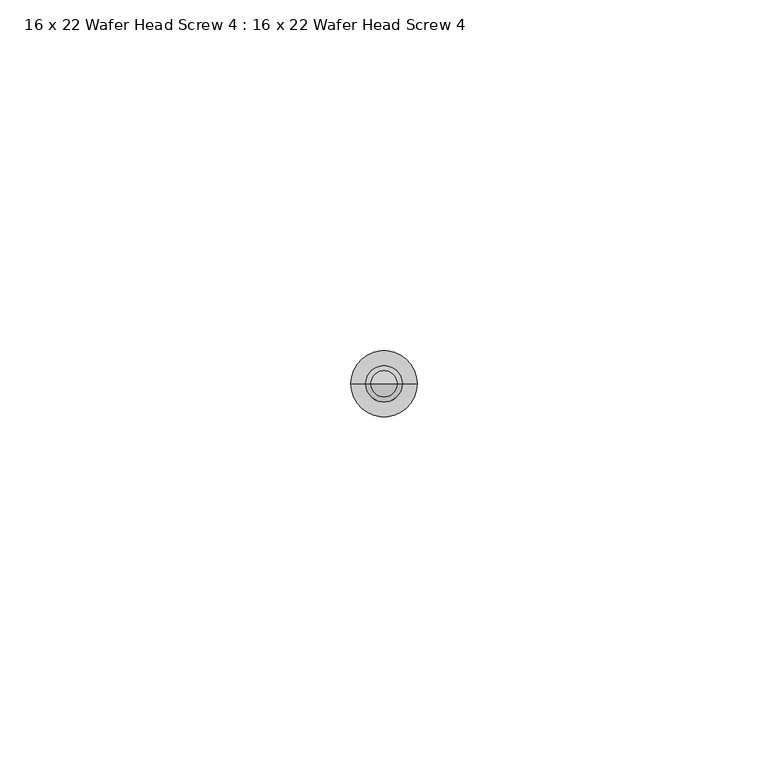
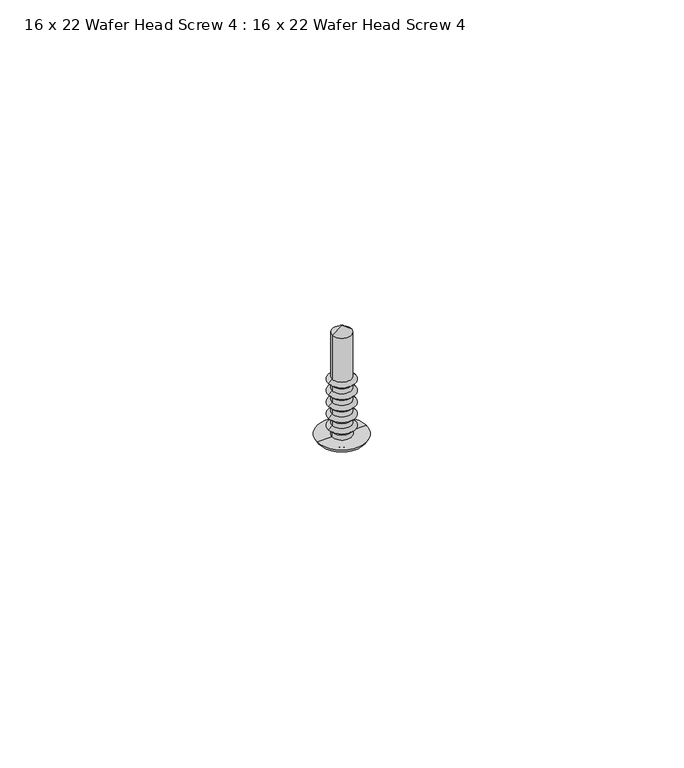
"""IFC4 building model written with IfcOpenShell, lengths in millimetres: proxy geometry, 16 x 22 Wafer Head Screw 4 : 16 x 22 Wafer Head Screw 4."""

from ifc_helpers import new_model, si_unit, point, frame, origin, origin_with_axes, place, context, project, spatial, polyline, circle_curve, ellipse_curve, trimmed, source, transform, mapped, element, save
from ifc_brep_helpers import plane_surface, cylinder_surface, revolved_surface, advanced_brep


def proxy_16_x_22_wafer_head_screw_4_16_x_22_wafer_head_screw_4_842abc65(model_context):
    return source(origin(), model_context, "Body", "AdvancedBrep", [
        advanced_brep(
        [(-1.8554352, 0.0, 11.6700547), (-1.8554352, 0.0, 20.4471271), (1.8554352, 0.0, 20.4471271), (1.8554352, 0.0, 11.6700547), (-2.5766059, 0.0, 11.0431506), (2.5766059, 0.0, 11.0431506), (-1.8554352, 0.0, 10.3219798), (1.8554352, 0.0, 10.3219798), (-1.8554352, 0.0, 9.3360438), (1.8554352, 0.0, 9.3360438), (-2.5766059, 0.0, 8.7091396), (2.5766059, 0.0, 8.7091396), (-1.8554352, 0.0, 7.9879689), (1.8554352, 0.0, 7.9879689), (-1.8554352, 0.0, 7.0020328), (1.8554352, 0.0, 7.0020328), (-2.5766059, 0.0, 6.3751287), (2.5766059, 0.0, 6.3751287), (-1.8554352, 0.0, 5.6539579), (1.8554352, 0.0, 5.6539579), (-1.8554352, 0.0, 4.6680219), (1.8554352, 0.0, 4.6680219), (-2.5766059, 0.0, 4.0411177), (2.5766059, 0.0, 4.0411177), (-1.8554352, 0.0, 3.319947), (1.8554352, 0.0, 3.319947), (-1.8554352, 0.0, 2.3340109), (1.8554352, 0.0, 2.3340109), (-2.5766059, 0.0, 1.7071068), (2.5766059, 0.0, 1.7071068), (-1.8694992, 0.0, 1.0), (1.8694992, 0.0, 1.0), (-1.8694992, 0.0, 0.0), (1.8694992, 0.0, 0.0), (-4.7066403, 0.0, 0.0), (4.7066403, 0.0, 0.0), (-3.2807188, 0.0, -1.0359925), (3.2807188, 0.0, -1.0359925), (-2.2807188, 0.0, -1.0359925), (2.2807188, 0.0, -1.0359925), (-0.8626721, 0.0, -1.8547022), (0.8626721, 0.0, -1.8547022), (0.0, 0.0, -1.8547022), (0.0, 0.0, 21.8452978)],
        [
            (0, 1),
            (1, 2, circle_curve(frame((0.0, 0.0, 20.4471271), z_axis=(0.0, 0.0, -1.0), x_axis=(1.0, 0.0, 0.0)), 1.8554352)),
            (2, 3),
            (3, 0, circle_curve(frame((0.0, 0.0, 11.6700547), z_axis=(0.0, 0.0, 1.0), x_axis=(1.0, 0.0, 0.0)), 1.8554352)),
            (2, 1, circle_curve(frame((0.0, 0.0, 20.4471271), z_axis=(0.0, 0.0, -1.0), x_axis=(1.0, 0.0, 0.0)), 1.8554352)),
            (0, 3, circle_curve(frame((0.0, 0.0, 11.6700547), z_axis=(0.0, 0.0, 1.0), x_axis=(1.0, 0.0, 0.0)), 1.8554352)),
            (4, 0),
            (3, 5),
            (5, 4, circle_curve(frame((0.0, 0.0, 11.0431506), z_axis=(0.0, 0.0, 1.0), x_axis=(1.0, 0.0, 0.0)), 2.5766059)),
            (4, 5, circle_curve(frame((0.0, 0.0, 11.0431506), z_axis=(0.0, 0.0, 1.0), x_axis=(1.0, 0.0, 0.0)), 2.5766059)),
            (6, 4),
            (5, 7),
            (7, 6, circle_curve(frame((0.0, 0.0, 10.3219798), z_axis=(0.0, 0.0, 1.0), x_axis=(1.0, 0.0, 0.0)), 1.8554352)),
            (6, 7, circle_curve(frame((0.0, 0.0, 10.3219798), z_axis=(0.0, 0.0, 1.0), x_axis=(1.0, 0.0, 0.0)), 1.8554352)),
            (8, 6),
            (7, 9),
            (9, 8, circle_curve(frame((0.0, 0.0, 9.3360438), z_axis=(0.0, 0.0, 1.0), x_axis=(1.0, 0.0, 0.0)), 1.8554352)),
            (8, 9, circle_curve(frame((0.0, 0.0, 9.3360438), z_axis=(0.0, 0.0, 1.0), x_axis=(1.0, 0.0, 0.0)), 1.8554352)),
            (10, 8),
            (9, 11),
            (11, 10, circle_curve(frame((0.0, 0.0, 8.7091396), z_axis=(0.0, 0.0, 1.0), x_axis=(1.0, 0.0, 0.0)), 2.5766059)),
            (10, 11, circle_curve(frame((0.0, 0.0, 8.7091396), z_axis=(0.0, 0.0, 1.0), x_axis=(1.0, 0.0, 0.0)), 2.5766059)),
            (12, 10),
            (11, 13),
            (13, 12, circle_curve(frame((0.0, 0.0, 7.9879689), z_axis=(0.0, 0.0, 1.0), x_axis=(1.0, 0.0, 0.0)), 1.8554352)),
            (12, 13, circle_curve(frame((0.0, 0.0, 7.9879689), z_axis=(0.0, 0.0, 1.0), x_axis=(1.0, 0.0, 0.0)), 1.8554352)),
            (14, 12),
            (13, 15),
            (15, 14, circle_curve(frame((0.0, 0.0, 7.0020328), z_axis=(0.0, 0.0, 1.0), x_axis=(1.0, 0.0, 0.0)), 1.8554352)),
            (14, 15, circle_curve(frame((0.0, 0.0, 7.0020328), z_axis=(0.0, 0.0, 1.0), x_axis=(1.0, 0.0, 0.0)), 1.8554352)),
            (16, 14),
            (15, 17),
            (17, 16, circle_curve(frame((0.0, 0.0, 6.3751287), z_axis=(0.0, 0.0, 1.0), x_axis=(1.0, 0.0, 0.0)), 2.5766059)),
            (16, 17, circle_curve(frame((0.0, 0.0, 6.3751287), z_axis=(0.0, 0.0, 1.0), x_axis=(1.0, 0.0, 0.0)), 2.5766059)),
            (18, 16),
            (17, 19),
            (19, 18, circle_curve(frame((0.0, 0.0, 5.6539579), z_axis=(0.0, 0.0, 1.0), x_axis=(1.0, 0.0, 0.0)), 1.8554352)),
            (18, 19, circle_curve(frame((0.0, 0.0, 5.6539579), z_axis=(0.0, 0.0, 1.0), x_axis=(1.0, 0.0, 0.0)), 1.8554352)),
            (20, 18),
            (19, 21),
            (21, 20, circle_curve(frame((0.0, 0.0, 4.6680219), z_axis=(0.0, 0.0, 1.0), x_axis=(1.0, 0.0, 0.0)), 1.8554352)),
            (20, 21, circle_curve(frame((0.0, 0.0, 4.6680219), z_axis=(0.0, 0.0, 1.0), x_axis=(1.0, 0.0, 0.0)), 1.8554352)),
            (22, 20),
            (21, 23),
            (23, 22, circle_curve(frame((0.0, 0.0, 4.0411177), z_axis=(0.0, 0.0, 1.0), x_axis=(1.0, 0.0, 0.0)), 2.5766059)),
            (22, 23, circle_curve(frame((0.0, 0.0, 4.0411177), z_axis=(0.0, 0.0, 1.0), x_axis=(1.0, 0.0, 0.0)), 2.5766059)),
            (24, 22),
            (23, 25),
            (25, 24, circle_curve(frame((0.0, 0.0, 3.319947), z_axis=(0.0, 0.0, 1.0), x_axis=(1.0, 0.0, 0.0)), 1.8554352)),
            (24, 25, circle_curve(frame((0.0, 0.0, 3.319947), z_axis=(0.0, 0.0, 1.0), x_axis=(1.0, 0.0, 0.0)), 1.8554352)),
            (26, 24),
            (25, 27),
            (27, 26, circle_curve(frame((0.0, 0.0, 2.3340109), z_axis=(0.0, 0.0, 1.0), x_axis=(1.0, 0.0, 0.0)), 1.8554352)),
            (26, 27, circle_curve(frame((0.0, 0.0, 2.3340109), z_axis=(0.0, 0.0, 1.0), x_axis=(1.0, 0.0, 0.0)), 1.8554352)),
            (28, 26),
            (27, 29),
            (29, 28, circle_curve(frame((0.0, 0.0, 1.7071068), z_axis=(0.0, 0.0, 1.0), x_axis=(1.0, 0.0, 0.0)), 2.5766059)),
            (28, 29, circle_curve(frame((0.0, 0.0, 1.7071068), z_axis=(0.0, 0.0, 1.0), x_axis=(1.0, 0.0, 0.0)), 2.5766059)),
            (30, 28),
            (29, 31),
            (31, 30, circle_curve(frame((0.0, 0.0, 1.0), z_axis=(0.0, 0.0, 1.0), x_axis=(1.0, 0.0, 0.0)), 1.8694992)),
            (30, 31, circle_curve(frame((0.0, 0.0, 1.0), z_axis=(0.0, 0.0, 1.0), x_axis=(1.0, 0.0, 0.0)), 1.8694992)),
            (32, 30),
            (31, 33),
            (33, 32, circle_curve(origin_with_axes(), 1.8694992)),
            (32, 33, circle_curve(origin_with_axes(), 1.8694992)),
            (34, 32),
            (33, 35),
            (35, 34, circle_curve(origin_with_axes(), 4.7066403)),
            (34, 35, circle_curve(origin_with_axes(), 4.7066403)),
            (36, 34, circle_curve(frame((-3.3352308, 0.0, 0.3882807), z_axis=(0.0, 1.0, 0.0), x_axis=(0.0, 0.0, -1.0)), 1.425316)),
            (35, 37, circle_curve(frame((3.3352308, 0.0, 0.3882807), z_axis=(0.0, 1.0, 0.0), x_axis=(0.0, 0.0, -1.0)), 1.425316)),
            (37, 36, circle_curve(frame((0.0, 0.0, -1.0359925), z_axis=(0.0, 0.0, 1.0), x_axis=(1.0, 0.0, 0.0)), 3.2807188)),
            (36, 37, circle_curve(frame((0.0, 0.0, -1.0359925), z_axis=(0.0, 0.0, 1.0), x_axis=(1.0, 0.0, 0.0)), 3.2807188)),
            (38, 36),
            (37, 39),
            (39, 38, circle_curve(frame((0.0, 0.0, -1.0359925), z_axis=(0.0, 0.0, 1.0), x_axis=(1.0, 0.0, 0.0)), 2.2807188)),
            (38, 39, circle_curve(frame((0.0, 0.0, -1.0359925), z_axis=(0.0, 0.0, 1.0), x_axis=(1.0, 0.0, 0.0)), 2.2807188)),
            (40, 38, circle_curve(frame((-0.8939585, 0.0, -0.2714724), z_axis=(0.0, 1.0, 0.0), x_axis=(0.0, 0.0, -1.0)), 1.5835389)),
            (39, 41, circle_curve(frame((0.8939585, 0.0, -0.2714724), z_axis=(0.0, 1.0, 0.0), x_axis=(0.0, 0.0, -1.0)), 1.5835389)),
            (41, 40, circle_curve(frame((0.0, 0.0, -1.8547022), z_axis=(0.0, 0.0, 1.0), x_axis=(1.0, 0.0, 0.0)), 0.8626721)),
            (40, 41, circle_curve(frame((0.0, 0.0, -1.8547022), z_axis=(0.0, 0.0, 1.0), x_axis=(1.0, 0.0, 0.0)), 0.8626721)),
            (42, 40),
            (41, 42),
            (1, 43),
            (43, 2),
        ],
        [
            cylinder_surface(frame((0.0, 0.0, 22.2103269), z_axis=(0.0, 0.0, -1.0), x_axis=(1.0, 0.0, 0.0)), 1.8554352),
            revolved_surface(polyline([(1.8554352, 0.0, 11.6700547), (2.5766059, 0.0, 11.0431506)]), (0.0, 0.0, 22.2103269), (0.0, 0.0, -1.0)),
            revolved_surface(polyline([(2.5766059, 0.0, 11.0431506), (1.8554352, 0.0, 10.3219798)]), (0.0, 0.0, 22.2103269), (0.0, 0.0, -1.0)),
            revolved_surface(polyline([(1.8554352, 0.0, 9.3360438), (2.5766059, 0.0, 8.7091396)]), (0.0, 0.0, 22.2103269), (0.0, 0.0, -1.0)),
            revolved_surface(polyline([(2.5766059, 0.0, 8.7091396), (1.8554352, 0.0, 7.9879689)]), (0.0, 0.0, 22.2103269), (0.0, 0.0, -1.0)),
            revolved_surface(polyline([(1.8554352, 0.0, 7.0020328), (2.5766059, 0.0, 6.3751287)]), (0.0, 0.0, 22.2103269), (0.0, 0.0, -1.0)),
            revolved_surface(polyline([(2.5766059, 0.0, 6.3751287), (1.8554352, 0.0, 5.6539579)]), (0.0, 0.0, 22.2103269), (0.0, 0.0, -1.0)),
            revolved_surface(polyline([(1.8554352, 0.0, 4.6680219), (2.5766059, 0.0, 4.0411177)]), (0.0, 0.0, 22.2103269), (0.0, 0.0, -1.0)),
            revolved_surface(polyline([(2.5766059, 0.0, 4.0411177), (1.8554352, 0.0, 3.319947)]), (0.0, 0.0, 22.2103269), (0.0, 0.0, -1.0)),
            revolved_surface(polyline([(1.8554352, 0.0, 2.3340109), (2.5766059, 0.0, 1.7071068)]), (0.0, 0.0, 22.2103269), (0.0, 0.0, -1.0)),
            revolved_surface(polyline([(2.5766059, 0.0, 1.7071068), (1.8694992, 0.0, 1.0)]), (0.0, 0.0, 22.2103269), (0.0, 0.0, -1.0)),
            cylinder_surface(frame((0.0, 0.0, 22.2103269), z_axis=(0.0, 0.0, -1.0), x_axis=(1.0, 0.0, 0.0)), 1.8694992),
            plane_surface(origin_with_axes()),
            revolved_surface(trimmed(ellipse_curve(frame((3.3352308, 0.0, 0.3882807), z_axis=(0.0, 1.0, 0.0), x_axis=(0.0, 0.0, -1.0)), 1.425316, 1.425316), [point((4.7066403, 0.0, 0.0))], [point((3.2807188, 0.0, -1.0359925))], True, "CARTESIAN"), (0.0, 0.0, 22.2103269), (0.0, 0.0, -1.0)),
            plane_surface(frame((0.0, 0.0, -1.0359925), z_axis=(0.0, 0.0, -1.0), x_axis=(1.0, 0.0, 0.0))),
            revolved_surface(trimmed(ellipse_curve(frame((0.8939585, 0.0, -0.2714724), z_axis=(0.0, 1.0, 0.0), x_axis=(0.0, 0.0, -1.0)), 1.5835389, 1.5835389), [point((2.2807188, 0.0, -1.0359925))], [point((0.8626721, 0.0, -1.8547022))], True, "CARTESIAN"), (0.0, 0.0, 22.2103269), (0.0, 0.0, -1.0)),
            plane_surface(frame((0.0, 0.0, -1.8547022), z_axis=(0.0, 0.0, -1.0), x_axis=(1.0, 0.0, 0.0))),
            revolved_surface(polyline([(0.0, 0.0, 21.8452978), (1.8554352, 0.0, 20.4471271)]), (0.0, 0.0, 22.2103269), (0.0, 0.0, -1.0)),
        ],
        [
            (0, [[1, 2, 3, 4]]),
            (0, [[-3, 5, -1, 6]]),
            (1, [[7, -4, 8, 9]]),
            (1, [[-8, -6, -7, 10]]),
            (2, [[11, -9, 12, 13]]),
            (2, [[-12, -10, -11, 14]]),
            (0, [[15, -13, 16, 17]]),
            (0, [[-16, -14, -15, 18]]),
            (3, [[19, -17, 20, 21]]),
            (3, [[-20, -18, -19, 22]]),
            (4, [[23, -21, 24, 25]]),
            (4, [[-24, -22, -23, 26]]),
            (0, [[27, -25, 28, 29]]),
            (0, [[-28, -26, -27, 30]]),
            (5, [[31, -29, 32, 33]]),
            (5, [[-32, -30, -31, 34]]),
            (6, [[35, -33, 36, 37]]),
            (6, [[-36, -34, -35, 38]]),
            (0, [[39, -37, 40, 41]]),
            (0, [[-40, -38, -39, 42]]),
            (7, [[43, -41, 44, 45]]),
            (7, [[-44, -42, -43, 46]]),
            (8, [[47, -45, 48, 49]]),
            (8, [[-48, -46, -47, 50]]),
            (0, [[51, -49, 52, 53]]),
            (0, [[-52, -50, -51, 54]]),
            (9, [[55, -53, 56, 57]]),
            (9, [[-56, -54, -55, 58]]),
            (10, [[59, -57, 60, 61]]),
            (10, [[-60, -58, -59, 62]]),
            (11, [[63, -61, 64, 65]]),
            (11, [[-64, -62, -63, 66]]),
            (12, [[67, -65, 68, 69]]),
            (12, [[-68, -66, -67, 70]]),
            (13, [[71, -69, 72, 73]]),
            (13, [[-72, -70, -71, 74]]),
            (14, [[75, -73, 76, 77]]),
            (14, [[-76, -74, -75, 78]]),
            (15, [[79, -77, 80, 81]]),
            (15, [[-80, -78, -79, 82]]),
            (16, [[83, -81, 84]]),
            (16, [[-84, -82, -83]]),
            (17, [[85, 86, -2]]),
            (17, [[-86, -85, -5]]),
        ],
    ),
    ])


if __name__ == "__main__":
    model = new_model("IFC4")
    model_context = context("Model", 3, world=origin())
    ifc_project = project(units=[si_unit("LENGTHUNIT", "METRE", prefix="MILLI")], contexts=[model_context])
    site = spatial("IfcSite", under=ifc_project)
    building = spatial("IfcBuilding", under=site)
    placement = place(None, origin())
    proxy_16_x_22_wafer_head_screw_4_16_x_22_wafer_head_screw_4_shape = proxy_16_x_22_wafer_head_screw_4_16_x_22_wafer_head_screw_4_842abc65(model_context)
    element("IfcBuildingElementProxy", 1, Name="16 x 22 Wafer Head Screw 4 : 16 x 22 Wafer Head Screw 4", ObjectType="16 x 22 Wafer Head Screw 4 : 16 x 22 Wafer Head Screw 4", at=placement, inside=building, context=model_context, shape_type="MappedRepresentation", body=[
        mapped(proxy_16_x_22_wafer_head_screw_4_16_x_22_wafer_head_screw_4_shape, transform((0.0, 0.0, 0.0), x_axis=(1.0, 0.0, 0.0), y_axis=(0.0, 1.0, 0.0), z_axis=(0.0, 0.0, 1.0))),
    ])
    save(model, "model.ifc")
